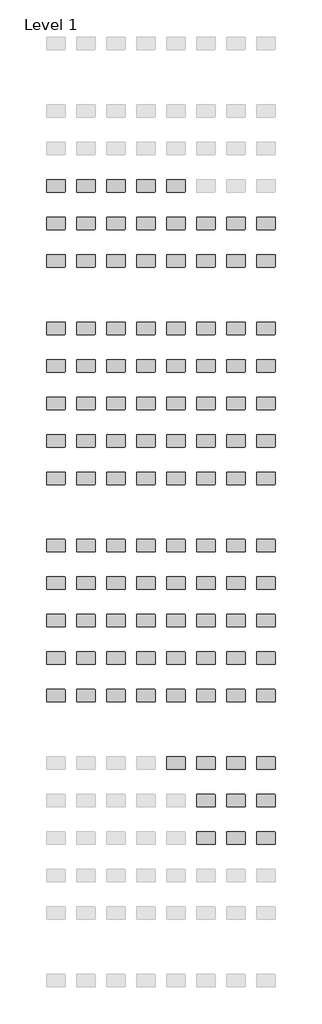
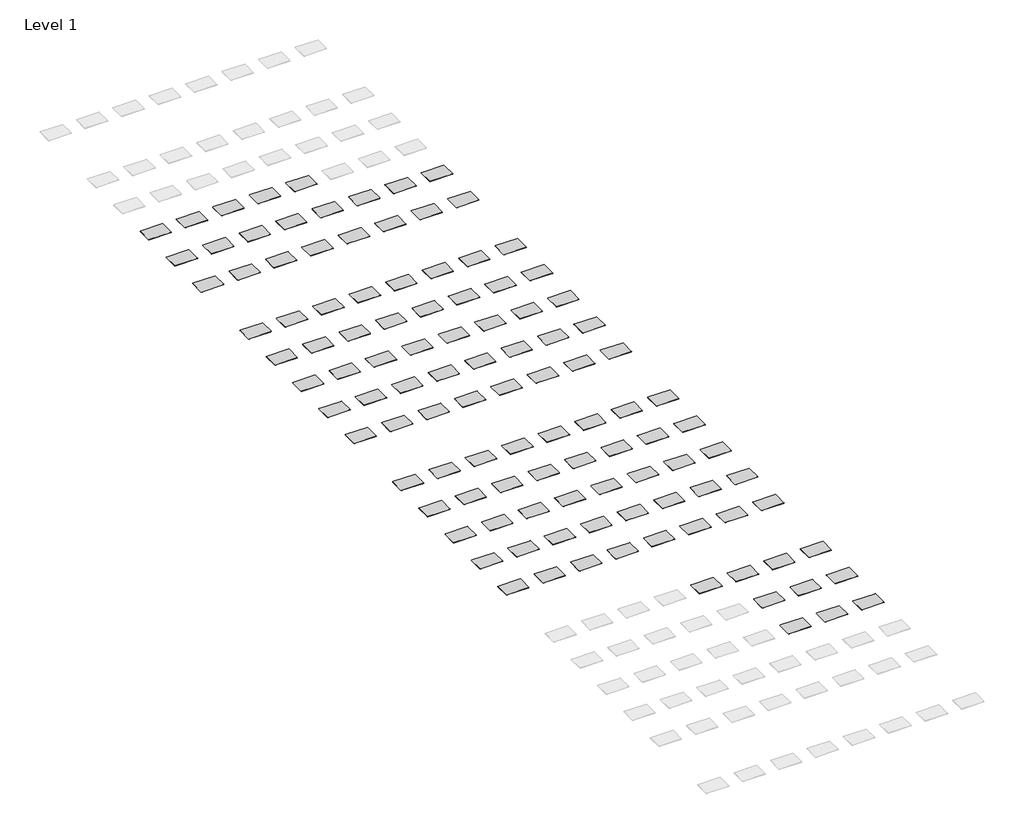
# One storey, part 3 of 10: 111 furniture elements.
"""IFC4 building model written with IfcOpenShell, lengths in millimetres."""

import ifcopenshell
import ifcopenshell.guid

model = None  # the IFC model being written
_history = None  # IfcOwnerHistory: only IFC2X3 demands one
_inside = {}  # id of a spatial element -> (the spatial element, [elements in it])
_under = {}  # id of a project, library or spatial element -> (it, [spatial elements below it])
_declared = {}  # id of a project -> (the project, [libraries it declares])
_typed = {}  # id of a type object -> (the type object, [elements of that type])
_made_of = {}  # id of a material, layer set ... -> (it, [elements and type objects made of it])


def new_model(schema):
    """Start an empty IFC model of exactly this schema.

    Asked for "IFC4X3", IfcOpenShell would pick the latest addendum, in which some entities
    have other attributes; the version numbers below select the first issue.
    IFC2X3 requires an IfcOwnerHistory on every rooted entity: one is made here for all.
    """
    global model, _history
    if schema == "IFC4X3":
        model = ifcopenshell.file(schema_version=(4, 3, 0, 0))
    else:
        model = ifcopenshell.file(schema=schema)
    _inside.clear()
    _under.clear()
    _declared.clear()
    _typed.clear()
    _made_of.clear()
    _history = None
    if model.schema == "IFC2X3":
        org = make("IfcOrganization", Name="unknown")
        user = make(
            "IfcPersonAndOrganization",
            ThePerson=make("IfcPerson", FamilyName="unknown"),
            TheOrganization=org,
        )
        app = make(
            "IfcApplication",
            ApplicationDeveloper=org,
            Version="unknown",
            ApplicationFullName="unknown",
            ApplicationIdentifier="unknown",
        )
        _history = make(
            "IfcOwnerHistory",
            OwningUser=user,
            OwningApplication=app,
            ChangeAction="ADDED",
            CreationDate=0,
        )
    return model


def make(cls, **values):
    """One entity of the class cls with the attributes given. An attribute that is None is left unset."""
    return model.create_entity(
        cls, **{name: value for name, value in values.items() if value is not None}
    )


def rooted(cls, **values):
    """An entity with a GlobalId (a new one), such as an element, a storey or a relation."""
    return make(cls, GlobalId=ifcopenshell.guid.new(), OwnerHistory=_history, **values)


def si_unit(unit_type, name, prefix=None):
    """IfcSIUnit, for example si_unit("LENGTHUNIT", "METRE", prefix="MILLI")."""
    return make("IfcSIUnit", UnitType=unit_type, Prefix=prefix, Name=name)


def assignment(units):
    """IfcUnitAssignment: the units of a project."""
    return None if units is None else make("IfcUnitAssignment", Units=units)


def point(xyz):
    """IfcCartesianPoint."""
    return None if xyz is None else make("IfcCartesianPoint", Coordinates=xyz)


def direction(xyz):
    """IfcDirection."""
    return None if xyz is None else make("IfcDirection", DirectionRatios=xyz)


def frame(location, z_axis=None, x_axis=None):
    """IfcAxis2Placement3D, a coordinate frame: its origin and axes. An axis left out is left unset."""
    return make(
        "IfcAxis2Placement3D",
        Location=point(location),
        Axis=direction(z_axis),
        RefDirection=direction(x_axis),
    )


def frame_2d(location, x_axis=None):
    """IfcAxis2Placement2D, a coordinate frame in the plane: its origin and x axis."""
    return make(
        "IfcAxis2Placement2D", Location=point(location), RefDirection=direction(x_axis)
    )


def origin():
    """The frame at (0, 0, 0) with its axes left unset."""
    return frame((0.0, 0.0, 0.0))


def place(relative_to, where):
    """IfcLocalPlacement: puts the frame where relative to a parent placement (None: the world)."""
    return make(
        "IfcLocalPlacement", PlacementRelTo=relative_to, RelativePlacement=where
    )


def context(
    kind, dimensions, precision=None, world=None, true_north=None, identifier=None
):
    """IfcGeometricRepresentationContext, for example the 3D "Model" context."""
    return make(
        "IfcGeometricRepresentationContext",
        ContextIdentifier=identifier,
        ContextType=kind,
        CoordinateSpaceDimension=dimensions,
        Precision=precision,
        WorldCoordinateSystem=world,
        TrueNorth=true_north,
    )


def project(units=None, contexts=None):
    """IfcProject with its units and contexts."""
    return rooted(
        "IfcProject",
        Name="project",
        RepresentationContexts=contexts,
        UnitsInContext=assignment(units),
    )


def spatial(cls, under=None, at=None, **own):
    """A site, building, storey or space (cls), placed at a placement, below another one or the project."""
    s = rooted(cls, ObjectPlacement=at, **own)
    if under is not None:
        _under.setdefault(under.id(), (under, []))[1].append(s)
    return s


def polyline(points):
    """IfcPolyline through the points."""
    return make("IfcPolyline", Points=[point(p) for p in points])


def circle_curve(where, radius):
    """IfcCircle in the frame where."""
    return make("IfcCircle", Position=where, Radius=radius)


def trimmed(basis, trim1, trim2, sense, master):
    """IfcTrimmedCurve: the piece of a basis curve between two trims."""
    return make(
        "IfcTrimmedCurve",
        BasisCurve=basis,
        Trim1=trim1,
        Trim2=trim2,
        SenseAgreement=sense,
        MasterRepresentation=master,
    )


def segment(curve, same_sense, transition):
    """IfcCompositeCurveSegment."""
    return make(
        "IfcCompositeCurveSegment",
        Transition=transition,
        SameSense=same_sense,
        ParentCurve=curve,
    )


def composite_curve(segments, self_intersect=None):
    """IfcCompositeCurve: segments joined end to end."""
    return make("IfcCompositeCurve", Segments=segments, SelfIntersect=self_intersect)


def outline(outer, holes=None, kind="AREA"):
    """IfcArbitraryClosedProfileDef: a profile drawn as a closed curve; with holes, ...WithVoids."""
    if holes is None:
        return make("IfcArbitraryClosedProfileDef", ProfileType=kind, OuterCurve=outer)
    return make(
        "IfcArbitraryProfileDefWithVoids",
        ProfileType=kind,
        OuterCurve=outer,
        InnerCurves=holes,
    )


def extrude(swept, where, along, depth):
    """IfcExtrudedAreaSolid: the profile swept, set in the frame where, extruded along a direction by depth."""
    return make(
        "IfcExtrudedAreaSolid",
        SweptArea=swept,
        Position=where,
        ExtrudedDirection=direction(along),
        Depth=depth,
    )


def shape(context_of_items, identifier, shape_type, items):
    """IfcShapeRepresentation: the items that make up one representation, for example the "Body"."""
    return make(
        "IfcShapeRepresentation",
        ContextOfItems=context_of_items,
        RepresentationIdentifier=identifier,
        RepresentationType=shape_type,
        Items=items,
    )


def source(mapping_origin, context_of_items, identifier, shape_type, items):
    """IfcRepresentationMap: a shape defined once, which mapped items show again and again."""
    return make(
        "IfcRepresentationMap",
        MappingOrigin=mapping_origin,
        MappedRepresentation=shape(context_of_items, identifier, shape_type, items),
    )


def transform(
    local_origin,
    x_axis=None,
    y_axis=None,
    z_axis=None,
    scale=None,
    scale2=None,
    scale3=None,
    uniform=True,
):
    """IfcCartesianTransformationOperator3D, or its non-uniform kind. x_axis, y_axis, z_axis: its Axis1, 2, 3."""
    if uniform:
        return make(
            "IfcCartesianTransformationOperator3D",
            Axis1=direction(x_axis),
            Axis2=direction(y_axis),
            LocalOrigin=point(local_origin),
            Scale=scale,
            Axis3=direction(z_axis),
        )
    return make(
        "IfcCartesianTransformationOperator3DnonUniform",
        Axis1=direction(x_axis),
        Axis2=direction(y_axis),
        LocalOrigin=point(local_origin),
        Scale=scale,
        Axis3=direction(z_axis),
        Scale2=scale2,
        Scale3=scale3,
    )


def mapped(mapping_source, mapping_target):
    """IfcMappedItem: shows the shape of a source again, moved by a transform."""
    return make(
        "IfcMappedItem", MappingSource=mapping_source, MappingTarget=mapping_target
    )


def made_of(thing, what):
    """Note that an element or type object is made of a material, layer set ...; save() writes the relation."""
    if what is not None:
        _made_of.setdefault(what.id(), (what, []))[1].append(thing)
    return thing


def element(
    cls,
    number,
    at=None,
    inside=None,
    cuts=None,
    type_object=None,
    material=None,
    context=None,
    identifier="Body",
    shape_type=None,
    held_by="IfcProductDefinitionShape",
    body=None,
    shapes=None,
    **own,
):
    """One element of the class cls, such as IfcWall. Its Tag is "e" and its number.

    at: its placement. inside: the storey or other place that contains it. cuts: it is an
    opening in that element (IfcRelVoidsElement). A single representation is given by context,
    identifier, shape_type and body (its items); several are given by shapes. held_by: the class
    of the entity that holds the representations. save() writes the other relations.
    """
    e = rooted(cls, Tag="e%d" % number, ObjectPlacement=at, **own)
    if body is not None:
        shapes = [shape(context, identifier, shape_type, body)]
    if shapes is not None:
        e.Representation = make(held_by, Representations=shapes)
    if inside is not None:
        _inside.setdefault(inside.id(), (inside, []))[1].append(e)
    if cuts is not None:
        rooted(
            "IfcRelVoidsElement", RelatingBuildingElement=cuts, RelatedOpeningElement=e
        )
    if type_object is not None:
        _typed.setdefault(type_object.id(), (type_object, []))[1].append(e)
    return made_of(e, material)


def aggregate(whole, parts):
    """IfcRelAggregates: a whole, such as a stair, and the parts it consists of."""
    return rooted("IfcRelAggregates", RelatingObject=whole, RelatedObjects=parts)


def save(model, path):
    """Write the relations noted so far, then the file.

    IfcRelAggregates (storeys below a building ...), IfcRelContainedInSpatialStructure (elements
    in a storey), IfcRelDefinesByType, IfcRelAssociatesMaterial and IfcRelDeclares: one each for
    every whole, place, type object, material and project.
    """
    for whole, parts in _under.values():
        aggregate(whole, parts)
    for where, things in _inside.values():
        rooted(
            "IfcRelContainedInSpatialStructure",
            RelatedElements=things,
            RelatingStructure=where,
        )
    for kind, things in _typed.values():
        rooted("IfcRelDefinesByType", RelatedObjects=things, RelatingType=kind)
    for what, things in _made_of.values():
        rooted("IfcRelAssociatesMaterial", RelatedObjects=things, RelatingMaterial=what)
    for by, libraries in _declared.values():
        rooted("IfcRelDeclares", RelatingContext=by, RelatedDefinitions=libraries)
    model.write(path)


def furniture_2008_material_sample3_2x3x1_8_96bf408c(model_context):
    return source(origin(), model_context, "Body", "SweptSolid", [
        extrude(outline(composite_curve([segment(trimmed(circle_curve(frame_2d((21215.2392185, 10811.8982463)), 6.35), [point((21215.2392185, 10818.2482463))], [point((21221.5892185, 10811.8982463))], False, "CARTESIAN"), True, "CONTINUOUS"), segment(polyline([(21221.5892185, 10811.8982463), (21221.5892185, 10570.5982463)]), True, "CONTINUOUS"), segment(trimmed(circle_curve(frame_2d((21215.2392185, 10570.5982463)), 6.35), [point((21221.5892185, 10570.5982463))], [point((21215.2392185, 10564.2482463))], False, "CARTESIAN"), True, "CONTINUOUS"), segment(polyline([(21215.2392185, 10564.2482463), (20846.9392185, 10564.2482463)]), True, "CONTINUOUS"), segment(trimmed(circle_curve(frame_2d((20846.9392185, 10570.5982463)), 6.35), [point((20846.9392185, 10564.2482463))], [point((20840.5892185, 10570.5982463))], False, "CARTESIAN"), True, "CONTINUOUS"), segment(polyline([(20840.5892185, 10570.5982463), (20840.5892185, 10811.8982463)]), True, "CONTINUOUS"), segment(trimmed(circle_curve(frame_2d((20846.9392185, 10811.8982463)), 6.35), [point((20840.5892185, 10811.8982463))], [point((20846.9392185, 10818.2482463))], False, "CARTESIAN"), True, "CONTINUOUS"), segment(polyline([(20846.9392185, 10818.2482463), (21215.2392185, 10818.2482463)]), True, "CONTINUOUS")], self_intersect=False)), frame((0.0, 0.0, -3.175), z_axis=(0.0, 0.0, 1.0), x_axis=(1.0, 0.0, 0.0)), (0.0, 0.0, 1.0), 3.175),
    ])


model = new_model("IFC4")

# Units and contexts
model_context = context("Model", 3, world=origin())
ifc_project = project(units=[si_unit("LENGTHUNIT", "METRE", prefix="MILLI")], contexts=[model_context])

# Site, building, storey
site = spatial("IfcSite", under=ifc_project)
building = spatial("IfcBuilding", under=site)
storey = spatial("IfcBuildingStorey", under=building, Name="Level 1", Elevation=0.0)

# Furniture
placement = place(None, origin())
furniture_2008_material_sample3_2x3x1_8_shape = furniture_2008_material_sample3_2x3x1_8_96bf408c(model_context)
element("IfcFurniture", 1, ObjectType="2008_Material Sample3 : 2x3x1/8", at=placement, inside=storey, context=model_context, shape_type="MappedRepresentation", body=[
    mapped(furniture_2008_material_sample3_2x3x1_8_shape, transform((-21031.0892185, -96568.6482463, 304.8), x_axis=(1.0, 0.0, 0.0), y_axis=(0.0, 1.0, 0.0), z_axis=(0.0, 0.0, 1.0))),
])
element("IfcFurniture", 2, ObjectType="2008_Material Sample3 : 2x3x1/8", at=placement, inside=storey, context=model_context, shape_type="MappedRepresentation", body=[
    mapped(furniture_2008_material_sample3_2x3x1_8_shape, transform((-20421.4892185, -96568.6482463, 304.8), x_axis=(1.0, 0.0, 0.0), y_axis=(0.0, 1.0, 0.0), z_axis=(0.0, 0.0, 1.0))),
])
element("IfcFurniture", 3, ObjectType="2008_Material Sample3 : 2x3x1/8", at=placement, inside=storey, context=model_context, shape_type="MappedRepresentation", body=[
    mapped(furniture_2008_material_sample3_2x3x1_8_shape, transform((-19811.8892185, -96568.6482463, 304.8), x_axis=(1.0, 0.0, 0.0), y_axis=(0.0, 1.0, 0.0), z_axis=(0.0, 0.0, 1.0))),
])
element("IfcFurniture", 4, ObjectType="2008_Material Sample3 : 2x3x1/8", at=placement, inside=storey, context=model_context, shape_type="MappedRepresentation", body=[
    mapped(furniture_2008_material_sample3_2x3x1_8_shape, transform((-19202.2892185, -96568.6482463, 304.8), x_axis=(1.0, 0.0, 0.0), y_axis=(0.0, 1.0, 0.0), z_axis=(0.0, 0.0, 1.0))),
])
element("IfcFurniture", 5, ObjectType="2008_Material Sample3 : 2x3x1/8", at=placement, inside=storey, context=model_context, shape_type="MappedRepresentation", body=[
    mapped(furniture_2008_material_sample3_2x3x1_8_shape, transform((-18592.6892185, -96568.6482463, 304.8), x_axis=(1.0, 0.0, 0.0), y_axis=(0.0, 1.0, 0.0), z_axis=(0.0, 0.0, 1.0))),
])
element("IfcFurniture", 6, ObjectType="2008_Material Sample3 : 2x3x1/8", at=placement, inside=storey, context=model_context, shape_type="MappedRepresentation", body=[
    mapped(furniture_2008_material_sample3_2x3x1_8_shape, transform((-21031.0892185, -97330.6482463, 304.8), x_axis=(1.0, 0.0, 0.0), y_axis=(0.0, 1.0, 0.0), z_axis=(0.0, 0.0, 1.0))),
])
element("IfcFurniture", 7, ObjectType="2008_Material Sample3 : 2x3x1/8", at=placement, inside=storey, context=model_context, shape_type="MappedRepresentation", body=[
    mapped(furniture_2008_material_sample3_2x3x1_8_shape, transform((-20421.4892185, -97330.6482463, 304.8), x_axis=(1.0, 0.0, 0.0), y_axis=(0.0, 1.0, 0.0), z_axis=(0.0, 0.0, 1.0))),
])
element("IfcFurniture", 8, ObjectType="2008_Material Sample3 : 2x3x1/8", at=placement, inside=storey, context=model_context, shape_type="MappedRepresentation", body=[
    mapped(furniture_2008_material_sample3_2x3x1_8_shape, transform((-19811.8892185, -97330.6482463, 304.8), x_axis=(1.0, 0.0, 0.0), y_axis=(0.0, 1.0, 0.0), z_axis=(0.0, 0.0, 1.0))),
])
element("IfcFurniture", 9, ObjectType="2008_Material Sample3 : 2x3x1/8", at=placement, inside=storey, context=model_context, shape_type="MappedRepresentation", body=[
    mapped(furniture_2008_material_sample3_2x3x1_8_shape, transform((-19202.2892185, -97330.6482463, 304.8), x_axis=(1.0, 0.0, 0.0), y_axis=(0.0, 1.0, 0.0), z_axis=(0.0, 0.0, 1.0))),
])
element("IfcFurniture", 10, ObjectType="2008_Material Sample3 : 2x3x1/8", at=placement, inside=storey, context=model_context, shape_type="MappedRepresentation", body=[
    mapped(furniture_2008_material_sample3_2x3x1_8_shape, transform((-18592.6892185, -97330.6482463, 304.8), x_axis=(1.0, 0.0, 0.0), y_axis=(0.0, 1.0, 0.0), z_axis=(0.0, 0.0, 1.0))),
])
element("IfcFurniture", 11, ObjectType="2008_Material Sample3 : 2x3x1/8", at=placement, inside=storey, context=model_context, shape_type="MappedRepresentation", body=[
    mapped(furniture_2008_material_sample3_2x3x1_8_shape, transform((-17983.0892185, -97330.6482463, 304.8), x_axis=(1.0, 0.0, 0.0), y_axis=(0.0, 1.0, 0.0), z_axis=(0.0, 0.0, 1.0))),
])
element("IfcFurniture", 12, ObjectType="2008_Material Sample3 : 2x3x1/8", at=placement, inside=storey, context=model_context, shape_type="MappedRepresentation", body=[
    mapped(furniture_2008_material_sample3_2x3x1_8_shape, transform((-17373.4892185, -97330.6482463, 304.8), x_axis=(1.0, 0.0, 0.0), y_axis=(0.0, 1.0, 0.0), z_axis=(0.0, 0.0, 1.0))),
])
element("IfcFurniture", 13, ObjectType="2008_Material Sample3 : 2x3x1/8", at=placement, inside=storey, context=model_context, shape_type="MappedRepresentation", body=[
    mapped(furniture_2008_material_sample3_2x3x1_8_shape, transform((-16763.8892185, -97330.6482463, 304.8), x_axis=(1.0, 0.0, 0.0), y_axis=(0.0, 1.0, 0.0), z_axis=(0.0, 0.0, 1.0))),
])
element("IfcFurniture", 14, ObjectType="2008_Material Sample3 : 2x3x1/8", at=placement, inside=storey, context=model_context, shape_type="MappedRepresentation", body=[
    mapped(furniture_2008_material_sample3_2x3x1_8_shape, transform((-21031.0892185, -98092.6482463, 304.8), x_axis=(1.0, 0.0, 0.0), y_axis=(0.0, 1.0, 0.0), z_axis=(0.0, 0.0, 1.0))),
])
element("IfcFurniture", 15, ObjectType="2008_Material Sample3 : 2x3x1/8", at=placement, inside=storey, context=model_context, shape_type="MappedRepresentation", body=[
    mapped(furniture_2008_material_sample3_2x3x1_8_shape, transform((-20421.4892185, -98092.6482463, 304.8), x_axis=(1.0, 0.0, 0.0), y_axis=(0.0, 1.0, 0.0), z_axis=(0.0, 0.0, 1.0))),
])
element("IfcFurniture", 16, ObjectType="2008_Material Sample3 : 2x3x1/8", at=placement, inside=storey, context=model_context, shape_type="MappedRepresentation", body=[
    mapped(furniture_2008_material_sample3_2x3x1_8_shape, transform((-19811.8892185, -98092.6482463, 304.8), x_axis=(1.0, 0.0, 0.0), y_axis=(0.0, 1.0, 0.0), z_axis=(0.0, 0.0, 1.0))),
])
element("IfcFurniture", 17, ObjectType="2008_Material Sample3 : 2x3x1/8", at=placement, inside=storey, context=model_context, shape_type="MappedRepresentation", body=[
    mapped(furniture_2008_material_sample3_2x3x1_8_shape, transform((-19202.2892185, -98092.6482463, 304.8), x_axis=(1.0, 0.0, 0.0), y_axis=(0.0, 1.0, 0.0), z_axis=(0.0, 0.0, 1.0))),
])
element("IfcFurniture", 18, ObjectType="2008_Material Sample3 : 2x3x1/8", at=placement, inside=storey, context=model_context, shape_type="MappedRepresentation", body=[
    mapped(furniture_2008_material_sample3_2x3x1_8_shape, transform((-18592.6892185, -98092.6482463, 304.8), x_axis=(1.0, 0.0, 0.0), y_axis=(0.0, 1.0, 0.0), z_axis=(0.0, 0.0, 1.0))),
])
element("IfcFurniture", 19, ObjectType="2008_Material Sample3 : 2x3x1/8", at=placement, inside=storey, context=model_context, shape_type="MappedRepresentation", body=[
    mapped(furniture_2008_material_sample3_2x3x1_8_shape, transform((-17983.0892185, -98092.6482463, 304.8), x_axis=(1.0, 0.0, 0.0), y_axis=(0.0, 1.0, 0.0), z_axis=(0.0, 0.0, 1.0))),
])
element("IfcFurniture", 20, ObjectType="2008_Material Sample3 : 2x3x1/8", at=placement, inside=storey, context=model_context, shape_type="MappedRepresentation", body=[
    mapped(furniture_2008_material_sample3_2x3x1_8_shape, transform((-17373.4892185, -98092.6482463, 304.8), x_axis=(1.0, 0.0, 0.0), y_axis=(0.0, 1.0, 0.0), z_axis=(0.0, 0.0, 1.0))),
])
element("IfcFurniture", 21, ObjectType="2008_Material Sample3 : 2x3x1/8", at=placement, inside=storey, context=model_context, shape_type="MappedRepresentation", body=[
    mapped(furniture_2008_material_sample3_2x3x1_8_shape, transform((-16763.8892185, -98092.6482463, 304.8), x_axis=(1.0, 0.0, 0.0), y_axis=(0.0, 1.0, 0.0), z_axis=(0.0, 0.0, 1.0))),
])
element("IfcFurniture", 22, ObjectType="2008_Material Sample3 : 2x3x1/8", at=placement, inside=storey, context=model_context, shape_type="MappedRepresentation", body=[
    mapped(furniture_2008_material_sample3_2x3x1_8_shape, transform((-21031.0892185, -99464.2482463, 304.8), x_axis=(1.0, 0.0, 0.0), y_axis=(0.0, 1.0, 0.0), z_axis=(0.0, 0.0, 1.0))),
])
element("IfcFurniture", 23, ObjectType="2008_Material Sample3 : 2x3x1/8", at=placement, inside=storey, context=model_context, shape_type="MappedRepresentation", body=[
    mapped(furniture_2008_material_sample3_2x3x1_8_shape, transform((-20421.4892185, -99464.2482463, 304.8), x_axis=(1.0, 0.0, 0.0), y_axis=(0.0, 1.0, 0.0), z_axis=(0.0, 0.0, 1.0))),
])
element("IfcFurniture", 24, ObjectType="2008_Material Sample3 : 2x3x1/8", at=placement, inside=storey, context=model_context, shape_type="MappedRepresentation", body=[
    mapped(furniture_2008_material_sample3_2x3x1_8_shape, transform((-19811.8892185, -99464.2482463, 304.8), x_axis=(1.0, 0.0, 0.0), y_axis=(0.0, 1.0, 0.0), z_axis=(0.0, 0.0, 1.0))),
])
element("IfcFurniture", 25, ObjectType="2008_Material Sample3 : 2x3x1/8", at=placement, inside=storey, context=model_context, shape_type="MappedRepresentation", body=[
    mapped(furniture_2008_material_sample3_2x3x1_8_shape, transform((-19202.2892185, -99464.2482463, 304.8), x_axis=(1.0, 0.0, 0.0), y_axis=(0.0, 1.0, 0.0), z_axis=(0.0, 0.0, 1.0))),
])
element("IfcFurniture", 26, ObjectType="2008_Material Sample3 : 2x3x1/8", at=placement, inside=storey, context=model_context, shape_type="MappedRepresentation", body=[
    mapped(furniture_2008_material_sample3_2x3x1_8_shape, transform((-18592.6892185, -99464.2482463, 304.8), x_axis=(1.0, 0.0, 0.0), y_axis=(0.0, 1.0, 0.0), z_axis=(0.0, 0.0, 1.0))),
])
element("IfcFurniture", 27, ObjectType="2008_Material Sample3 : 2x3x1/8", at=placement, inside=storey, context=model_context, shape_type="MappedRepresentation", body=[
    mapped(furniture_2008_material_sample3_2x3x1_8_shape, transform((-17983.0892185, -99464.2482463, 304.8), x_axis=(1.0, 0.0, 0.0), y_axis=(0.0, 1.0, 0.0), z_axis=(0.0, 0.0, 1.0))),
])
element("IfcFurniture", 28, ObjectType="2008_Material Sample3 : 2x3x1/8", at=placement, inside=storey, context=model_context, shape_type="MappedRepresentation", body=[
    mapped(furniture_2008_material_sample3_2x3x1_8_shape, transform((-17373.4892185, -99464.2482463, 304.8), x_axis=(1.0, 0.0, 0.0), y_axis=(0.0, 1.0, 0.0), z_axis=(0.0, 0.0, 1.0))),
])
element("IfcFurniture", 29, ObjectType="2008_Material Sample3 : 2x3x1/8", at=placement, inside=storey, context=model_context, shape_type="MappedRepresentation", body=[
    mapped(furniture_2008_material_sample3_2x3x1_8_shape, transform((-16763.8892185, -99464.2482463, 304.8), x_axis=(1.0, 0.0, 0.0), y_axis=(0.0, 1.0, 0.0), z_axis=(0.0, 0.0, 1.0))),
])
element("IfcFurniture", 30, ObjectType="2008_Material Sample3 : 2x3x1/8", at=placement, inside=storey, context=model_context, shape_type="MappedRepresentation", body=[
    mapped(furniture_2008_material_sample3_2x3x1_8_shape, transform((-21031.0892185, -100226.2482463, 304.8), x_axis=(1.0, 0.0, 0.0), y_axis=(0.0, 1.0, 0.0), z_axis=(0.0, 0.0, 1.0))),
])
element("IfcFurniture", 31, ObjectType="2008_Material Sample3 : 2x3x1/8", at=placement, inside=storey, context=model_context, shape_type="MappedRepresentation", body=[
    mapped(furniture_2008_material_sample3_2x3x1_8_shape, transform((-20421.4892185, -100226.2482463, 304.8), x_axis=(1.0, 0.0, 0.0), y_axis=(0.0, 1.0, 0.0), z_axis=(0.0, 0.0, 1.0))),
])
element("IfcFurniture", 32, ObjectType="2008_Material Sample3 : 2x3x1/8", at=placement, inside=storey, context=model_context, shape_type="MappedRepresentation", body=[
    mapped(furniture_2008_material_sample3_2x3x1_8_shape, transform((-19811.8892185, -100226.2482463, 304.8), x_axis=(1.0, 0.0, 0.0), y_axis=(0.0, 1.0, 0.0), z_axis=(0.0, 0.0, 1.0))),
])
element("IfcFurniture", 33, ObjectType="2008_Material Sample3 : 2x3x1/8", at=placement, inside=storey, context=model_context, shape_type="MappedRepresentation", body=[
    mapped(furniture_2008_material_sample3_2x3x1_8_shape, transform((-19202.2892185, -100226.2482463, 304.8), x_axis=(1.0, 0.0, 0.0), y_axis=(0.0, 1.0, 0.0), z_axis=(0.0, 0.0, 1.0))),
])
element("IfcFurniture", 34, ObjectType="2008_Material Sample3 : 2x3x1/8", at=placement, inside=storey, context=model_context, shape_type="MappedRepresentation", body=[
    mapped(furniture_2008_material_sample3_2x3x1_8_shape, transform((-18592.6892185, -100226.2482463, 304.8), x_axis=(1.0, 0.0, 0.0), y_axis=(0.0, 1.0, 0.0), z_axis=(0.0, 0.0, 1.0))),
])
element("IfcFurniture", 35, ObjectType="2008_Material Sample3 : 2x3x1/8", at=placement, inside=storey, context=model_context, shape_type="MappedRepresentation", body=[
    mapped(furniture_2008_material_sample3_2x3x1_8_shape, transform((-17983.0892185, -100226.2482463, 304.8), x_axis=(1.0, 0.0, 0.0), y_axis=(0.0, 1.0, 0.0), z_axis=(0.0, 0.0, 1.0))),
])
element("IfcFurniture", 36, ObjectType="2008_Material Sample3 : 2x3x1/8", at=placement, inside=storey, context=model_context, shape_type="MappedRepresentation", body=[
    mapped(furniture_2008_material_sample3_2x3x1_8_shape, transform((-17373.4892185, -100226.2482463, 304.8), x_axis=(1.0, 0.0, 0.0), y_axis=(0.0, 1.0, 0.0), z_axis=(0.0, 0.0, 1.0))),
])
element("IfcFurniture", 37, ObjectType="2008_Material Sample3 : 2x3x1/8", at=placement, inside=storey, context=model_context, shape_type="MappedRepresentation", body=[
    mapped(furniture_2008_material_sample3_2x3x1_8_shape, transform((-16763.8892185, -100226.2482463, 304.8), x_axis=(1.0, 0.0, 0.0), y_axis=(0.0, 1.0, 0.0), z_axis=(0.0, 0.0, 1.0))),
])
element("IfcFurniture", 38, ObjectType="2008_Material Sample3 : 2x3x1/8", at=placement, inside=storey, context=model_context, shape_type="MappedRepresentation", body=[
    mapped(furniture_2008_material_sample3_2x3x1_8_shape, transform((-21031.0892185, -100988.2482463, 304.8), x_axis=(1.0, 0.0, 0.0), y_axis=(0.0, 1.0, 0.0), z_axis=(0.0, 0.0, 1.0))),
])
element("IfcFurniture", 39, ObjectType="2008_Material Sample3 : 2x3x1/8", at=placement, inside=storey, context=model_context, shape_type="MappedRepresentation", body=[
    mapped(furniture_2008_material_sample3_2x3x1_8_shape, transform((-20421.4892185, -100988.2482463, 304.8), x_axis=(1.0, 0.0, 0.0), y_axis=(0.0, 1.0, 0.0), z_axis=(0.0, 0.0, 1.0))),
])
element("IfcFurniture", 40, ObjectType="2008_Material Sample3 : 2x3x1/8", at=placement, inside=storey, context=model_context, shape_type="MappedRepresentation", body=[
    mapped(furniture_2008_material_sample3_2x3x1_8_shape, transform((-19811.8892185, -100988.2482463, 304.8), x_axis=(1.0, 0.0, 0.0), y_axis=(0.0, 1.0, 0.0), z_axis=(0.0, 0.0, 1.0))),
])
element("IfcFurniture", 41, ObjectType="2008_Material Sample3 : 2x3x1/8", at=placement, inside=storey, context=model_context, shape_type="MappedRepresentation", body=[
    mapped(furniture_2008_material_sample3_2x3x1_8_shape, transform((-19202.2892185, -100988.2482463, 304.8), x_axis=(1.0, 0.0, 0.0), y_axis=(0.0, 1.0, 0.0), z_axis=(0.0, 0.0, 1.0))),
])
element("IfcFurniture", 42, ObjectType="2008_Material Sample3 : 2x3x1/8", at=placement, inside=storey, context=model_context, shape_type="MappedRepresentation", body=[
    mapped(furniture_2008_material_sample3_2x3x1_8_shape, transform((-18592.6892185, -100988.2482463, 304.8), x_axis=(1.0, 0.0, 0.0), y_axis=(0.0, 1.0, 0.0), z_axis=(0.0, 0.0, 1.0))),
])
element("IfcFurniture", 43, ObjectType="2008_Material Sample3 : 2x3x1/8", at=placement, inside=storey, context=model_context, shape_type="MappedRepresentation", body=[
    mapped(furniture_2008_material_sample3_2x3x1_8_shape, transform((-17983.0892185, -100988.2482463, 304.8), x_axis=(1.0, 0.0, 0.0), y_axis=(0.0, 1.0, 0.0), z_axis=(0.0, 0.0, 1.0))),
])
element("IfcFurniture", 44, ObjectType="2008_Material Sample3 : 2x3x1/8", at=placement, inside=storey, context=model_context, shape_type="MappedRepresentation", body=[
    mapped(furniture_2008_material_sample3_2x3x1_8_shape, transform((-17373.4892185, -100988.2482463, 304.8), x_axis=(1.0, 0.0, 0.0), y_axis=(0.0, 1.0, 0.0), z_axis=(0.0, 0.0, 1.0))),
])
element("IfcFurniture", 45, ObjectType="2008_Material Sample3 : 2x3x1/8", at=placement, inside=storey, context=model_context, shape_type="MappedRepresentation", body=[
    mapped(furniture_2008_material_sample3_2x3x1_8_shape, transform((-16763.8892185, -100988.2482463, 304.8), x_axis=(1.0, 0.0, 0.0), y_axis=(0.0, 1.0, 0.0), z_axis=(0.0, 0.0, 1.0))),
])
element("IfcFurniture", 46, ObjectType="2008_Material Sample3 : 2x3x1/8", at=placement, inside=storey, context=model_context, shape_type="MappedRepresentation", body=[
    mapped(furniture_2008_material_sample3_2x3x1_8_shape, transform((-21031.0892185, -101750.2482463, 304.8), x_axis=(1.0, 0.0, 0.0), y_axis=(0.0, 1.0, 0.0), z_axis=(0.0, 0.0, 1.0))),
])
element("IfcFurniture", 47, ObjectType="2008_Material Sample3 : 2x3x1/8", at=placement, inside=storey, context=model_context, shape_type="MappedRepresentation", body=[
    mapped(furniture_2008_material_sample3_2x3x1_8_shape, transform((-20421.4892185, -101750.2482463, 304.8), x_axis=(1.0, 0.0, 0.0), y_axis=(0.0, 1.0, 0.0), z_axis=(0.0, 0.0, 1.0))),
])
element("IfcFurniture", 48, ObjectType="2008_Material Sample3 : 2x3x1/8", at=placement, inside=storey, context=model_context, shape_type="MappedRepresentation", body=[
    mapped(furniture_2008_material_sample3_2x3x1_8_shape, transform((-19811.8892185, -101750.2482463, 304.8), x_axis=(1.0, 0.0, 0.0), y_axis=(0.0, 1.0, 0.0), z_axis=(0.0, 0.0, 1.0))),
])
element("IfcFurniture", 49, ObjectType="2008_Material Sample3 : 2x3x1/8", at=placement, inside=storey, context=model_context, shape_type="MappedRepresentation", body=[
    mapped(furniture_2008_material_sample3_2x3x1_8_shape, transform((-19202.2892185, -101750.2482463, 304.8), x_axis=(1.0, 0.0, 0.0), y_axis=(0.0, 1.0, 0.0), z_axis=(0.0, 0.0, 1.0))),
])
element("IfcFurniture", 50, ObjectType="2008_Material Sample3 : 2x3x1/8", at=placement, inside=storey, context=model_context, shape_type="MappedRepresentation", body=[
    mapped(furniture_2008_material_sample3_2x3x1_8_shape, transform((-18592.6892185, -101750.2482463, 304.8), x_axis=(1.0, 0.0, 0.0), y_axis=(0.0, 1.0, 0.0), z_axis=(0.0, 0.0, 1.0))),
])
element("IfcFurniture", 51, ObjectType="2008_Material Sample3 : 2x3x1/8", at=placement, inside=storey, context=model_context, shape_type="MappedRepresentation", body=[
    mapped(furniture_2008_material_sample3_2x3x1_8_shape, transform((-17983.0892185, -101750.2482463, 304.8), x_axis=(1.0, 0.0, 0.0), y_axis=(0.0, 1.0, 0.0), z_axis=(0.0, 0.0, 1.0))),
])
element("IfcFurniture", 52, ObjectType="2008_Material Sample3 : 2x3x1/8", at=placement, inside=storey, context=model_context, shape_type="MappedRepresentation", body=[
    mapped(furniture_2008_material_sample3_2x3x1_8_shape, transform((-17373.4892185, -101750.2482463, 304.8), x_axis=(1.0, 0.0, 0.0), y_axis=(0.0, 1.0, 0.0), z_axis=(0.0, 0.0, 1.0))),
])
element("IfcFurniture", 53, ObjectType="2008_Material Sample3 : 2x3x1/8", at=placement, inside=storey, context=model_context, shape_type="MappedRepresentation", body=[
    mapped(furniture_2008_material_sample3_2x3x1_8_shape, transform((-16763.8892185, -101750.2482463, 304.8), x_axis=(1.0, 0.0, 0.0), y_axis=(0.0, 1.0, 0.0), z_axis=(0.0, 0.0, 1.0))),
])
element("IfcFurniture", 54, ObjectType="2008_Material Sample3 : 2x3x1/8", at=placement, inside=storey, context=model_context, shape_type="MappedRepresentation", body=[
    mapped(furniture_2008_material_sample3_2x3x1_8_shape, transform((-21031.0892185, -102512.2482463, 304.8), x_axis=(1.0, 0.0, 0.0), y_axis=(0.0, 1.0, 0.0), z_axis=(0.0, 0.0, 1.0))),
])
element("IfcFurniture", 55, ObjectType="2008_Material Sample3 : 2x3x1/8", at=placement, inside=storey, context=model_context, shape_type="MappedRepresentation", body=[
    mapped(furniture_2008_material_sample3_2x3x1_8_shape, transform((-20421.4892185, -102512.2482463, 304.8), x_axis=(1.0, 0.0, 0.0), y_axis=(0.0, 1.0, 0.0), z_axis=(0.0, 0.0, 1.0))),
])
element("IfcFurniture", 56, ObjectType="2008_Material Sample3 : 2x3x1/8", at=placement, inside=storey, context=model_context, shape_type="MappedRepresentation", body=[
    mapped(furniture_2008_material_sample3_2x3x1_8_shape, transform((-19811.8892185, -102512.2482463, 304.8), x_axis=(1.0, 0.0, 0.0), y_axis=(0.0, 1.0, 0.0), z_axis=(0.0, 0.0, 1.0))),
])
element("IfcFurniture", 57, ObjectType="2008_Material Sample3 : 2x3x1/8", at=placement, inside=storey, context=model_context, shape_type="MappedRepresentation", body=[
    mapped(furniture_2008_material_sample3_2x3x1_8_shape, transform((-19202.2892185, -102512.2482463, 304.8), x_axis=(1.0, 0.0, 0.0), y_axis=(0.0, 1.0, 0.0), z_axis=(0.0, 0.0, 1.0))),
])
element("IfcFurniture", 58, ObjectType="2008_Material Sample3 : 2x3x1/8", at=placement, inside=storey, context=model_context, shape_type="MappedRepresentation", body=[
    mapped(furniture_2008_material_sample3_2x3x1_8_shape, transform((-18592.6892185, -102512.2482463, 304.8), x_axis=(1.0, 0.0, 0.0), y_axis=(0.0, 1.0, 0.0), z_axis=(0.0, 0.0, 1.0))),
])
element("IfcFurniture", 59, ObjectType="2008_Material Sample3 : 2x3x1/8", at=placement, inside=storey, context=model_context, shape_type="MappedRepresentation", body=[
    mapped(furniture_2008_material_sample3_2x3x1_8_shape, transform((-17983.0892185, -102512.2482463, 304.8), x_axis=(1.0, 0.0, 0.0), y_axis=(0.0, 1.0, 0.0), z_axis=(0.0, 0.0, 1.0))),
])
element("IfcFurniture", 60, ObjectType="2008_Material Sample3 : 2x3x1/8", at=placement, inside=storey, context=model_context, shape_type="MappedRepresentation", body=[
    mapped(furniture_2008_material_sample3_2x3x1_8_shape, transform((-17373.4892185, -102512.2482463, 304.8), x_axis=(1.0, 0.0, 0.0), y_axis=(0.0, 1.0, 0.0), z_axis=(0.0, 0.0, 1.0))),
])
element("IfcFurniture", 61, ObjectType="2008_Material Sample3 : 2x3x1/8", at=placement, inside=storey, context=model_context, shape_type="MappedRepresentation", body=[
    mapped(furniture_2008_material_sample3_2x3x1_8_shape, transform((-16763.8892185, -102512.2482463, 304.8), x_axis=(1.0, 0.0, 0.0), y_axis=(0.0, 1.0, 0.0), z_axis=(0.0, 0.0, 1.0))),
])
element("IfcFurniture", 62, ObjectType="2008_Material Sample3 : 2x3x1/8", at=placement, inside=storey, context=model_context, shape_type="MappedRepresentation", body=[
    mapped(furniture_2008_material_sample3_2x3x1_8_shape, transform((-21031.0892185, -103883.8482463, 304.8), x_axis=(1.0, 0.0, 0.0), y_axis=(0.0, 1.0, 0.0), z_axis=(0.0, 0.0, 1.0))),
])
element("IfcFurniture", 63, ObjectType="2008_Material Sample3 : 2x3x1/8", at=placement, inside=storey, context=model_context, shape_type="MappedRepresentation", body=[
    mapped(furniture_2008_material_sample3_2x3x1_8_shape, transform((-20421.4892185, -103883.8482463, 304.8), x_axis=(1.0, 0.0, 0.0), y_axis=(0.0, 1.0, 0.0), z_axis=(0.0, 0.0, 1.0))),
])
element("IfcFurniture", 64, ObjectType="2008_Material Sample3 : 2x3x1/8", at=placement, inside=storey, context=model_context, shape_type="MappedRepresentation", body=[
    mapped(furniture_2008_material_sample3_2x3x1_8_shape, transform((-19811.8892185, -103883.8482463, 304.8), x_axis=(1.0, 0.0, 0.0), y_axis=(0.0, 1.0, 0.0), z_axis=(0.0, 0.0, 1.0))),
])
element("IfcFurniture", 65, ObjectType="2008_Material Sample3 : 2x3x1/8", at=placement, inside=storey, context=model_context, shape_type="MappedRepresentation", body=[
    mapped(furniture_2008_material_sample3_2x3x1_8_shape, transform((-19202.2892185, -103883.8482463, 304.8), x_axis=(1.0, 0.0, 0.0), y_axis=(0.0, 1.0, 0.0), z_axis=(0.0, 0.0, 1.0))),
])
element("IfcFurniture", 66, ObjectType="2008_Material Sample3 : 2x3x1/8", at=placement, inside=storey, context=model_context, shape_type="MappedRepresentation", body=[
    mapped(furniture_2008_material_sample3_2x3x1_8_shape, transform((-18592.6892185, -103883.8482463, 304.8), x_axis=(1.0, 0.0, 0.0), y_axis=(0.0, 1.0, 0.0), z_axis=(0.0, 0.0, 1.0))),
])
element("IfcFurniture", 67, ObjectType="2008_Material Sample3 : 2x3x1/8", at=placement, inside=storey, context=model_context, shape_type="MappedRepresentation", body=[
    mapped(furniture_2008_material_sample3_2x3x1_8_shape, transform((-17983.0892185, -103883.8482463, 304.8), x_axis=(1.0, 0.0, 0.0), y_axis=(0.0, 1.0, 0.0), z_axis=(0.0, 0.0, 1.0))),
])
element("IfcFurniture", 68, ObjectType="2008_Material Sample3 : 2x3x1/8", at=placement, inside=storey, context=model_context, shape_type="MappedRepresentation", body=[
    mapped(furniture_2008_material_sample3_2x3x1_8_shape, transform((-17373.4892185, -103883.8482463, 304.8), x_axis=(1.0, 0.0, 0.0), y_axis=(0.0, 1.0, 0.0), z_axis=(0.0, 0.0, 1.0))),
])
element("IfcFurniture", 69, ObjectType="2008_Material Sample3 : 2x3x1/8", at=placement, inside=storey, context=model_context, shape_type="MappedRepresentation", body=[
    mapped(furniture_2008_material_sample3_2x3x1_8_shape, transform((-16763.8892185, -103883.8482463, 304.8), x_axis=(1.0, 0.0, 0.0), y_axis=(0.0, 1.0, 0.0), z_axis=(0.0, 0.0, 1.0))),
])
element("IfcFurniture", 70, ObjectType="2008_Material Sample3 : 2x3x1/8", at=placement, inside=storey, context=model_context, shape_type="MappedRepresentation", body=[
    mapped(furniture_2008_material_sample3_2x3x1_8_shape, transform((-21031.0892185, -104645.8482463, 304.8), x_axis=(1.0, 0.0, 0.0), y_axis=(0.0, 1.0, 0.0), z_axis=(0.0, 0.0, 1.0))),
])
element("IfcFurniture", 71, ObjectType="2008_Material Sample3 : 2x3x1/8", at=placement, inside=storey, context=model_context, shape_type="MappedRepresentation", body=[
    mapped(furniture_2008_material_sample3_2x3x1_8_shape, transform((-20421.4892185, -104645.8482463, 304.8), x_axis=(1.0, 0.0, 0.0), y_axis=(0.0, 1.0, 0.0), z_axis=(0.0, 0.0, 1.0))),
])
element("IfcFurniture", 72, ObjectType="2008_Material Sample3 : 2x3x1/8", at=placement, inside=storey, context=model_context, shape_type="MappedRepresentation", body=[
    mapped(furniture_2008_material_sample3_2x3x1_8_shape, transform((-19811.8892185, -104645.8482463, 304.8), x_axis=(1.0, 0.0, 0.0), y_axis=(0.0, 1.0, 0.0), z_axis=(0.0, 0.0, 1.0))),
])
element("IfcFurniture", 73, ObjectType="2008_Material Sample3 : 2x3x1/8", at=placement, inside=storey, context=model_context, shape_type="MappedRepresentation", body=[
    mapped(furniture_2008_material_sample3_2x3x1_8_shape, transform((-19202.2892185, -104645.8482463, 304.8), x_axis=(1.0, 0.0, 0.0), y_axis=(0.0, 1.0, 0.0), z_axis=(0.0, 0.0, 1.0))),
])
element("IfcFurniture", 74, ObjectType="2008_Material Sample3 : 2x3x1/8", at=placement, inside=storey, context=model_context, shape_type="MappedRepresentation", body=[
    mapped(furniture_2008_material_sample3_2x3x1_8_shape, transform((-18592.6892185, -104645.8482463, 304.8), x_axis=(1.0, 0.0, 0.0), y_axis=(0.0, 1.0, 0.0), z_axis=(0.0, 0.0, 1.0))),
])
element("IfcFurniture", 75, ObjectType="2008_Material Sample3 : 2x3x1/8", at=placement, inside=storey, context=model_context, shape_type="MappedRepresentation", body=[
    mapped(furniture_2008_material_sample3_2x3x1_8_shape, transform((-17983.0892185, -104645.8482463, 304.8), x_axis=(1.0, 0.0, 0.0), y_axis=(0.0, 1.0, 0.0), z_axis=(0.0, 0.0, 1.0))),
])
element("IfcFurniture", 76, ObjectType="2008_Material Sample3 : 2x3x1/8", at=placement, inside=storey, context=model_context, shape_type="MappedRepresentation", body=[
    mapped(furniture_2008_material_sample3_2x3x1_8_shape, transform((-17373.4892185, -104645.8482463, 304.8), x_axis=(1.0, 0.0, 0.0), y_axis=(0.0, 1.0, 0.0), z_axis=(0.0, 0.0, 1.0))),
])
element("IfcFurniture", 77, ObjectType="2008_Material Sample3 : 2x3x1/8", at=placement, inside=storey, context=model_context, shape_type="MappedRepresentation", body=[
    mapped(furniture_2008_material_sample3_2x3x1_8_shape, transform((-16763.8892185, -104645.8482463, 304.8), x_axis=(1.0, 0.0, 0.0), y_axis=(0.0, 1.0, 0.0), z_axis=(0.0, 0.0, 1.0))),
])
element("IfcFurniture", 78, ObjectType="2008_Material Sample3 : 2x3x1/8", at=placement, inside=storey, context=model_context, shape_type="MappedRepresentation", body=[
    mapped(furniture_2008_material_sample3_2x3x1_8_shape, transform((-21031.0892185, -105407.8482463, 304.8), x_axis=(1.0, 0.0, 0.0), y_axis=(0.0, 1.0, 0.0), z_axis=(0.0, 0.0, 1.0))),
])
element("IfcFurniture", 79, ObjectType="2008_Material Sample3 : 2x3x1/8", at=placement, inside=storey, context=model_context, shape_type="MappedRepresentation", body=[
    mapped(furniture_2008_material_sample3_2x3x1_8_shape, transform((-20421.4892185, -105407.8482463, 304.8), x_axis=(1.0, 0.0, 0.0), y_axis=(0.0, 1.0, 0.0), z_axis=(0.0, 0.0, 1.0))),
])
element("IfcFurniture", 80, ObjectType="2008_Material Sample3 : 2x3x1/8", at=placement, inside=storey, context=model_context, shape_type="MappedRepresentation", body=[
    mapped(furniture_2008_material_sample3_2x3x1_8_shape, transform((-19811.8892185, -105407.8482463, 304.8), x_axis=(1.0, 0.0, 0.0), y_axis=(0.0, 1.0, 0.0), z_axis=(0.0, 0.0, 1.0))),
])
element("IfcFurniture", 81, ObjectType="2008_Material Sample3 : 2x3x1/8", at=placement, inside=storey, context=model_context, shape_type="MappedRepresentation", body=[
    mapped(furniture_2008_material_sample3_2x3x1_8_shape, transform((-19202.2892185, -105407.8482463, 304.8), x_axis=(1.0, 0.0, 0.0), y_axis=(0.0, 1.0, 0.0), z_axis=(0.0, 0.0, 1.0))),
])
element("IfcFurniture", 82, ObjectType="2008_Material Sample3 : 2x3x1/8", at=placement, inside=storey, context=model_context, shape_type="MappedRepresentation", body=[
    mapped(furniture_2008_material_sample3_2x3x1_8_shape, transform((-18592.6892185, -105407.8482463, 304.8), x_axis=(1.0, 0.0, 0.0), y_axis=(0.0, 1.0, 0.0), z_axis=(0.0, 0.0, 1.0))),
])
element("IfcFurniture", 83, ObjectType="2008_Material Sample3 : 2x3x1/8", at=placement, inside=storey, context=model_context, shape_type="MappedRepresentation", body=[
    mapped(furniture_2008_material_sample3_2x3x1_8_shape, transform((-17983.0892185, -105407.8482463, 304.8), x_axis=(1.0, 0.0, 0.0), y_axis=(0.0, 1.0, 0.0), z_axis=(0.0, 0.0, 1.0))),
])
element("IfcFurniture", 84, ObjectType="2008_Material Sample3 : 2x3x1/8", at=placement, inside=storey, context=model_context, shape_type="MappedRepresentation", body=[
    mapped(furniture_2008_material_sample3_2x3x1_8_shape, transform((-17373.4892185, -105407.8482463, 304.8), x_axis=(1.0, 0.0, 0.0), y_axis=(0.0, 1.0, 0.0), z_axis=(0.0, 0.0, 1.0))),
])
element("IfcFurniture", 85, ObjectType="2008_Material Sample3 : 2x3x1/8", at=placement, inside=storey, context=model_context, shape_type="MappedRepresentation", body=[
    mapped(furniture_2008_material_sample3_2x3x1_8_shape, transform((-16763.8892185, -105407.8482463, 304.8), x_axis=(1.0, 0.0, 0.0), y_axis=(0.0, 1.0, 0.0), z_axis=(0.0, 0.0, 1.0))),
])
element("IfcFurniture", 86, ObjectType="2008_Material Sample3 : 2x3x1/8", at=placement, inside=storey, context=model_context, shape_type="MappedRepresentation", body=[
    mapped(furniture_2008_material_sample3_2x3x1_8_shape, transform((-21031.0892185, -106169.8482463, 304.8), x_axis=(1.0, 0.0, 0.0), y_axis=(0.0, 1.0, 0.0), z_axis=(0.0, 0.0, 1.0))),
])
element("IfcFurniture", 87, ObjectType="2008_Material Sample3 : 2x3x1/8", at=placement, inside=storey, context=model_context, shape_type="MappedRepresentation", body=[
    mapped(furniture_2008_material_sample3_2x3x1_8_shape, transform((-20421.4892185, -106169.8482463, 304.8), x_axis=(1.0, 0.0, 0.0), y_axis=(0.0, 1.0, 0.0), z_axis=(0.0, 0.0, 1.0))),
])
element("IfcFurniture", 88, ObjectType="2008_Material Sample3 : 2x3x1/8", at=placement, inside=storey, context=model_context, shape_type="MappedRepresentation", body=[
    mapped(furniture_2008_material_sample3_2x3x1_8_shape, transform((-19811.8892185, -106169.8482463, 304.8), x_axis=(1.0, 0.0, 0.0), y_axis=(0.0, 1.0, 0.0), z_axis=(0.0, 0.0, 1.0))),
])
element("IfcFurniture", 89, ObjectType="2008_Material Sample3 : 2x3x1/8", at=placement, inside=storey, context=model_context, shape_type="MappedRepresentation", body=[
    mapped(furniture_2008_material_sample3_2x3x1_8_shape, transform((-19202.2892185, -106169.8482463, 304.8), x_axis=(1.0, 0.0, 0.0), y_axis=(0.0, 1.0, 0.0), z_axis=(0.0, 0.0, 1.0))),
])
element("IfcFurniture", 90, ObjectType="2008_Material Sample3 : 2x3x1/8", at=placement, inside=storey, context=model_context, shape_type="MappedRepresentation", body=[
    mapped(furniture_2008_material_sample3_2x3x1_8_shape, transform((-18592.6892185, -106169.8482463, 304.8), x_axis=(1.0, 0.0, 0.0), y_axis=(0.0, 1.0, 0.0), z_axis=(0.0, 0.0, 1.0))),
])
element("IfcFurniture", 91, ObjectType="2008_Material Sample3 : 2x3x1/8", at=placement, inside=storey, context=model_context, shape_type="MappedRepresentation", body=[
    mapped(furniture_2008_material_sample3_2x3x1_8_shape, transform((-17983.0892185, -106169.8482463, 304.8), x_axis=(1.0, 0.0, 0.0), y_axis=(0.0, 1.0, 0.0), z_axis=(0.0, 0.0, 1.0))),
])
element("IfcFurniture", 92, ObjectType="2008_Material Sample3 : 2x3x1/8", at=placement, inside=storey, context=model_context, shape_type="MappedRepresentation", body=[
    mapped(furniture_2008_material_sample3_2x3x1_8_shape, transform((-17373.4892185, -106169.8482463, 304.8), x_axis=(1.0, 0.0, 0.0), y_axis=(0.0, 1.0, 0.0), z_axis=(0.0, 0.0, 1.0))),
])
element("IfcFurniture", 93, ObjectType="2008_Material Sample3 : 2x3x1/8", at=placement, inside=storey, context=model_context, shape_type="MappedRepresentation", body=[
    mapped(furniture_2008_material_sample3_2x3x1_8_shape, transform((-16763.8892185, -106169.8482463, 304.8), x_axis=(1.0, 0.0, 0.0), y_axis=(0.0, 1.0, 0.0), z_axis=(0.0, 0.0, 1.0))),
])
element("IfcFurniture", 94, ObjectType="2008_Material Sample3 : 2x3x1/8", at=placement, inside=storey, context=model_context, shape_type="MappedRepresentation", body=[
    mapped(furniture_2008_material_sample3_2x3x1_8_shape, transform((-21031.0892185, -106931.8482463, 304.8), x_axis=(1.0, 0.0, 0.0), y_axis=(0.0, 1.0, 0.0), z_axis=(0.0, 0.0, 1.0))),
])
element("IfcFurniture", 95, ObjectType="2008_Material Sample3 : 2x3x1/8", at=placement, inside=storey, context=model_context, shape_type="MappedRepresentation", body=[
    mapped(furniture_2008_material_sample3_2x3x1_8_shape, transform((-20421.4892185, -106931.8482463, 304.8), x_axis=(1.0, 0.0, 0.0), y_axis=(0.0, 1.0, 0.0), z_axis=(0.0, 0.0, 1.0))),
])
element("IfcFurniture", 96, ObjectType="2008_Material Sample3 : 2x3x1/8", at=placement, inside=storey, context=model_context, shape_type="MappedRepresentation", body=[
    mapped(furniture_2008_material_sample3_2x3x1_8_shape, transform((-19811.8892185, -106931.8482463, 304.8), x_axis=(1.0, 0.0, 0.0), y_axis=(0.0, 1.0, 0.0), z_axis=(0.0, 0.0, 1.0))),
])
element("IfcFurniture", 97, ObjectType="2008_Material Sample3 : 2x3x1/8", at=placement, inside=storey, context=model_context, shape_type="MappedRepresentation", body=[
    mapped(furniture_2008_material_sample3_2x3x1_8_shape, transform((-19202.2892185, -106931.8482463, 304.8), x_axis=(1.0, 0.0, 0.0), y_axis=(0.0, 1.0, 0.0), z_axis=(0.0, 0.0, 1.0))),
])
element("IfcFurniture", 98, ObjectType="2008_Material Sample3 : 2x3x1/8", at=placement, inside=storey, context=model_context, shape_type="MappedRepresentation", body=[
    mapped(furniture_2008_material_sample3_2x3x1_8_shape, transform((-18592.6892185, -106931.8482463, 304.8), x_axis=(1.0, 0.0, 0.0), y_axis=(0.0, 1.0, 0.0), z_axis=(0.0, 0.0, 1.0))),
])
element("IfcFurniture", 99, ObjectType="2008_Material Sample3 : 2x3x1/8", at=placement, inside=storey, context=model_context, shape_type="MappedRepresentation", body=[
    mapped(furniture_2008_material_sample3_2x3x1_8_shape, transform((-17983.0892185, -106931.8482463, 304.8), x_axis=(1.0, 0.0, 0.0), y_axis=(0.0, 1.0, 0.0), z_axis=(0.0, 0.0, 1.0))),
])
element("IfcFurniture", 100, ObjectType="2008_Material Sample3 : 2x3x1/8", at=placement, inside=storey, context=model_context, shape_type="MappedRepresentation", body=[
    mapped(furniture_2008_material_sample3_2x3x1_8_shape, transform((-17373.4892185, -106931.8482463, 304.8), x_axis=(1.0, 0.0, 0.0), y_axis=(0.0, 1.0, 0.0), z_axis=(0.0, 0.0, 1.0))),
])
element("IfcFurniture", 101, ObjectType="2008_Material Sample3 : 2x3x1/8", at=placement, inside=storey, context=model_context, shape_type="MappedRepresentation", body=[
    mapped(furniture_2008_material_sample3_2x3x1_8_shape, transform((-16763.8892185, -106931.8482463, 304.8), x_axis=(1.0, 0.0, 0.0), y_axis=(0.0, 1.0, 0.0), z_axis=(0.0, 0.0, 1.0))),
])
element("IfcFurniture", 102, ObjectType="2008_Material Sample3 : 2x3x1/8", at=placement, inside=storey, context=model_context, shape_type="MappedRepresentation", body=[
    mapped(furniture_2008_material_sample3_2x3x1_8_shape, transform((-18592.6892185, -108303.4482463, 304.8), x_axis=(1.0, 0.0, 0.0), y_axis=(0.0, 1.0, 0.0), z_axis=(0.0, 0.0, 1.0))),
])
element("IfcFurniture", 103, ObjectType="2008_Material Sample3 : 2x3x1/8", at=placement, inside=storey, context=model_context, shape_type="MappedRepresentation", body=[
    mapped(furniture_2008_material_sample3_2x3x1_8_shape, transform((-17983.0892185, -108303.4482463, 304.8), x_axis=(1.0, 0.0, 0.0), y_axis=(0.0, 1.0, 0.0), z_axis=(0.0, 0.0, 1.0))),
])
element("IfcFurniture", 104, ObjectType="2008_Material Sample3 : 2x3x1/8", at=placement, inside=storey, context=model_context, shape_type="MappedRepresentation", body=[
    mapped(furniture_2008_material_sample3_2x3x1_8_shape, transform((-17373.4892185, -108303.4482463, 304.8), x_axis=(1.0, 0.0, 0.0), y_axis=(0.0, 1.0, 0.0), z_axis=(0.0, 0.0, 1.0))),
])
element("IfcFurniture", 105, ObjectType="2008_Material Sample3 : 2x3x1/8", at=placement, inside=storey, context=model_context, shape_type="MappedRepresentation", body=[
    mapped(furniture_2008_material_sample3_2x3x1_8_shape, transform((-16763.8892185, -108303.4482463, 304.8), x_axis=(1.0, 0.0, 0.0), y_axis=(0.0, 1.0, 0.0), z_axis=(0.0, 0.0, 1.0))),
])
element("IfcFurniture", 106, ObjectType="2008_Material Sample3 : 2x3x1/8", at=placement, inside=storey, context=model_context, shape_type="MappedRepresentation", body=[
    mapped(furniture_2008_material_sample3_2x3x1_8_shape, transform((-17983.0892185, -109065.4482463, 304.8), x_axis=(1.0, 0.0, 0.0), y_axis=(0.0, 1.0, 0.0), z_axis=(0.0, 0.0, 1.0))),
])
element("IfcFurniture", 107, ObjectType="2008_Material Sample3 : 2x3x1/8", at=placement, inside=storey, context=model_context, shape_type="MappedRepresentation", body=[
    mapped(furniture_2008_material_sample3_2x3x1_8_shape, transform((-17373.4892185, -109065.4482463, 304.8), x_axis=(1.0, 0.0, 0.0), y_axis=(0.0, 1.0, 0.0), z_axis=(0.0, 0.0, 1.0))),
])
element("IfcFurniture", 108, ObjectType="2008_Material Sample3 : 2x3x1/8", at=placement, inside=storey, context=model_context, shape_type="MappedRepresentation", body=[
    mapped(furniture_2008_material_sample3_2x3x1_8_shape, transform((-16763.8892185, -109065.4482463, 304.8), x_axis=(1.0, 0.0, 0.0), y_axis=(0.0, 1.0, 0.0), z_axis=(0.0, 0.0, 1.0))),
])
element("IfcFurniture", 109, ObjectType="2008_Material Sample3 : 2x3x1/8", at=placement, inside=storey, context=model_context, shape_type="MappedRepresentation", body=[
    mapped(furniture_2008_material_sample3_2x3x1_8_shape, transform((-17983.0892185, -109827.4482463, 304.8), x_axis=(1.0, 0.0, 0.0), y_axis=(0.0, 1.0, 0.0), z_axis=(0.0, 0.0, 1.0))),
])
element("IfcFurniture", 110, ObjectType="2008_Material Sample3 : 2x3x1/8", at=placement, inside=storey, context=model_context, shape_type="MappedRepresentation", body=[
    mapped(furniture_2008_material_sample3_2x3x1_8_shape, transform((-17373.4892185, -109827.4482463, 304.8), x_axis=(1.0, 0.0, 0.0), y_axis=(0.0, 1.0, 0.0), z_axis=(0.0, 0.0, 1.0))),
])
element("IfcFurniture", 111, ObjectType="2008_Material Sample3 : 2x3x1/8", at=placement, inside=storey, context=model_context, shape_type="MappedRepresentation", body=[
    mapped(furniture_2008_material_sample3_2x3x1_8_shape, transform((-16763.8892185, -109827.4482463, 304.8), x_axis=(1.0, 0.0, 0.0), y_axis=(0.0, 1.0, 0.0), z_axis=(0.0, 0.0, 1.0))),
])

save(model, "model.ifc")
